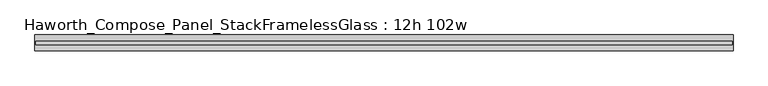
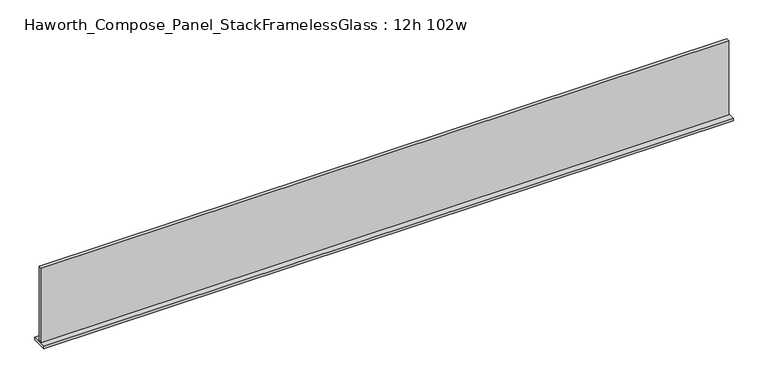
"""IFC4 building model written with IfcOpenShell, lengths in millimetres: furniture geometry, Haworth_Compose_Panel_StackFramelessGlass : 12h 102w."""

from ifc_helpers import new_model, si_unit, frame, origin, place, context, project, spatial, polyline, outline, extrude, source, transform, mapped, element, save


def haworth_compose_panel_stackframelessglass_12h_102w_1b02fdae(model_context):
    return source(origin(), model_context, "Body", "SweptSolid", [
        extrude(outline(polyline([(1294.6652902, -27.3093594), (-1289.7847098, -27.3093594), (-1289.7847098, -14.6093594), (1294.6652902, -14.6093594), (1294.6652902, -27.3093594)])), frame((0.0, 0.0, 1279.525), z_axis=(0.0, 0.0, 1.0), x_axis=(1.0, 0.0, 0.0)), (0.0, 0.0, 1.0), 295.275),
        extrude(outline(polyline([(-1292.9597098, -50.3281094), (-1292.9597098, 8.4093906), (1297.8402902, 8.4093906), (1297.8402902, -50.3281094), (-1292.9597098, -50.3281094)])), frame((0.0, 0.0, 1270.0), z_axis=(0.0, 0.0, 1.0), x_axis=(1.0, 0.0, 0.0)), (0.0, 0.0, 1.0), 9.525),
    ])


if __name__ == "__main__":
    model = new_model("IFC4")
    model_context = context("Model", 3, world=origin())
    ifc_project = project(units=[si_unit("LENGTHUNIT", "METRE", prefix="MILLI")], contexts=[model_context])
    site = spatial("IfcSite", under=ifc_project)
    building = spatial("IfcBuilding", under=site)
    placement = place(None, origin())
    haworth_compose_panel_stackframelessglass_12h_102w_shape = haworth_compose_panel_stackframelessglass_12h_102w_1b02fdae(model_context)
    element("IfcFurniture", 1, ObjectType="Haworth_Compose_Panel_StackFramelessGlass : 12h 102w", at=placement, inside=building, context=model_context, shape_type="MappedRepresentation", body=[
        mapped(haworth_compose_panel_stackframelessglass_12h_102w_shape, transform((0.0, 0.0, 0.0), x_axis=(1.0, 0.0, 0.0), y_axis=(0.0, 1.0, 0.0), z_axis=(0.0, 0.0, 1.0))),
    ])
    save(model, "model.ifc")
